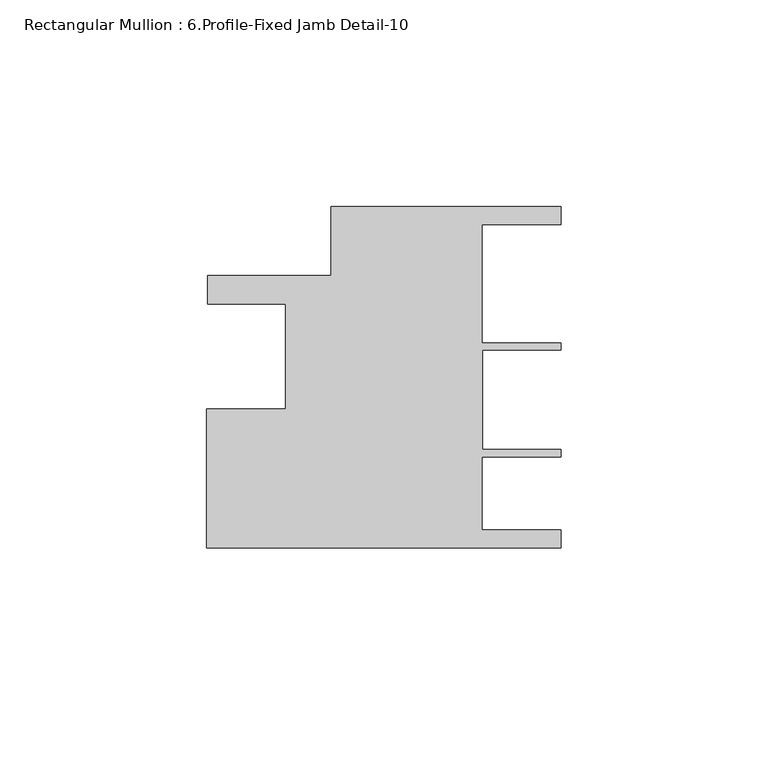
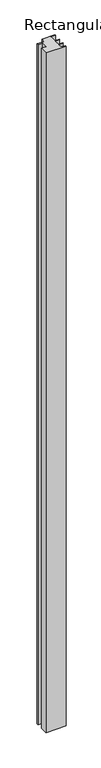
"""IFC4 building model written with IfcOpenShell, lengths in millimetres: member geometry, Rectangular Mullion : 6.Profile-Fixed Jamb Detail-10."""

from ifc_helpers import new_model, si_unit, frame, origin, place, context, project, spatial, polyline, outline, extrude, source, transform, mapped, element, save


def rectangular_mullion_6_profile_fixed_jamb_detail_10_cb18be2b(model_context):
    return source(origin(), model_context, "Body", "SweptSolid", [
        extrude(outline(polyline([(-85.725, -35.5486046), (-85.725, -1.9424478), (-66.6781136, -1.9424478), (-66.6781136, 23.4575307), (-85.4979589, 23.4575307), (-85.4979589, 30.3663399), (-55.5655988, 30.3663399), (-55.5655988, 47.0014241), (0.0, 47.0014241), (0.0, 42.6834183), (-19.05, 42.6834183), (-19.05, 14.0322031), (-0.0320464, 14.0322031), (-0.0320464, 12.2571492), (-19.0148895, 12.2571492), (-19.0148895, -11.745797), (-0.0320464, -11.745797), (-0.0320464, -13.523797), (-19.05, -13.523797), (-19.05, -31.2305989), (-0.0320464, -31.2305989), (-0.0320464, -35.5486046), (-85.725, -35.5486046)])), frame((0.0, 0.0, -3048.0), z_axis=(0.0, 0.0, 1.0), x_axis=(1.0, 0.0, 0.0)), (0.0, 0.0, 1.0), 3048.0),
    ])


if __name__ == "__main__":
    model = new_model("IFC4")
    model_context = context("Model", 3, world=origin())
    ifc_project = project(units=[si_unit("LENGTHUNIT", "METRE", prefix="MILLI")], contexts=[model_context])
    site = spatial("IfcSite", under=ifc_project)
    building = spatial("IfcBuilding", under=site)
    placement = place(None, origin())
    rectangular_mullion_6_profile_fixed_jamb_detail_10_shape = rectangular_mullion_6_profile_fixed_jamb_detail_10_cb18be2b(model_context)
    element("IfcMember", 1, ObjectType="Rectangular Mullion : 6.Profile-Fixed Jamb Detail-10", at=placement, inside=building, context=model_context, shape_type="MappedRepresentation", body=[
        mapped(rectangular_mullion_6_profile_fixed_jamb_detail_10_shape, transform((0.0, 0.0, 0.0), x_axis=(1.0, 0.0, 0.0), y_axis=(0.0, 1.0, 0.0), z_axis=(0.0, 0.0, 1.0))),
    ])
    save(model, "model.ifc")
